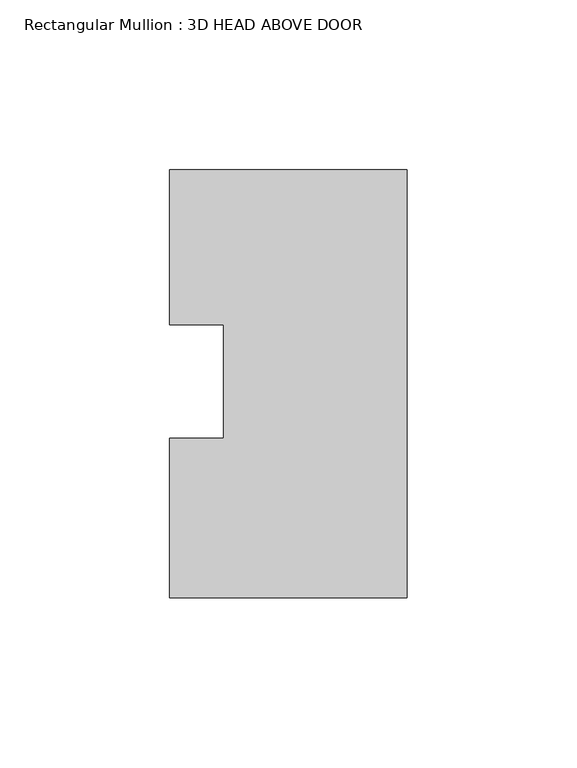
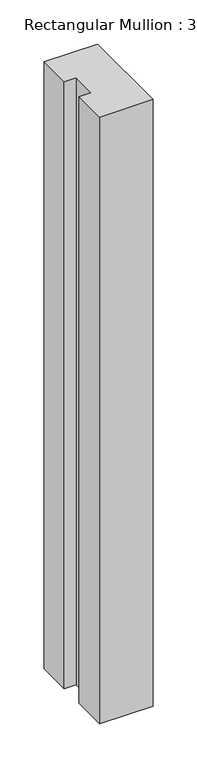
"""IFC4 building model written with IfcOpenShell, lengths in millimetres: member geometry, Rectangular Mullion : 3D HEAD ABOVE DOOR."""

from ifc_helpers import new_model, si_unit, frame, origin, place, context, project, spatial, polyline, outline, extrude, source, transform, mapped, element, save


def rectangular_mullion_3d_head_above_door_fa056193(model_context):
    return source(origin(), model_context, "Body", "SweptSolid", [
        extrude(outline(polyline([(-69.85, 19.9402744), (-69.85, 65.5359978), (0.0, 65.5359978), (0.0, -60.2448022), (-69.85, -60.2448022), (-69.85, -13.3957223), (-53.975, -13.3957223), (-53.975, 19.9402744), (-69.85, 19.9402744)])), frame((0.0, 0.0, -838.2), z_axis=(0.0, 0.0, 1.0), x_axis=(1.0, 0.0, 0.0)), (0.0, 0.0, 1.0), 838.2),
    ])


if __name__ == "__main__":
    model = new_model("IFC4")
    model_context = context("Model", 3, world=origin())
    ifc_project = project(units=[si_unit("LENGTHUNIT", "METRE", prefix="MILLI")], contexts=[model_context])
    site = spatial("IfcSite", under=ifc_project)
    building = spatial("IfcBuilding", under=site)
    placement = place(None, origin())
    rectangular_mullion_3d_head_above_door_shape = rectangular_mullion_3d_head_above_door_fa056193(model_context)
    element("IfcMember", 1, ObjectType="Rectangular Mullion : 3D HEAD ABOVE DOOR", at=placement, inside=building, context=model_context, shape_type="MappedRepresentation", body=[
        mapped(rectangular_mullion_3d_head_above_door_shape, transform((0.0, 0.0, 0.0), x_axis=(1.0, 0.0, 0.0), y_axis=(0.0, 1.0, 0.0), z_axis=(0.0, 0.0, 1.0))),
    ])
    save(model, "model.ifc")
